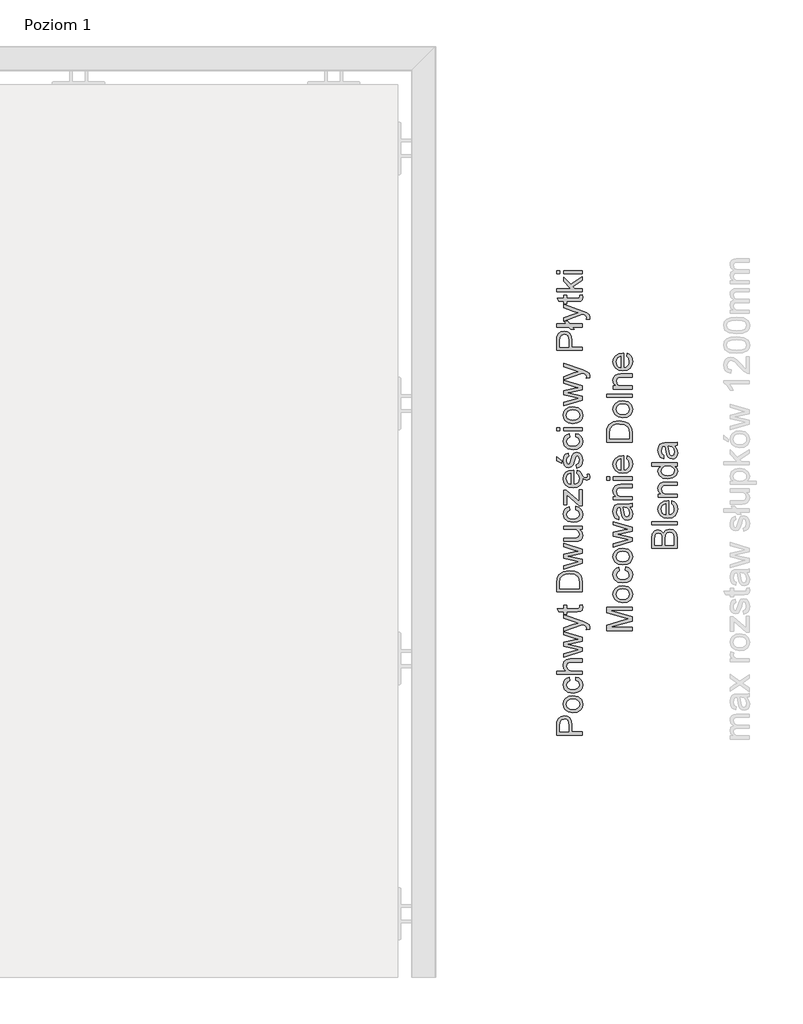
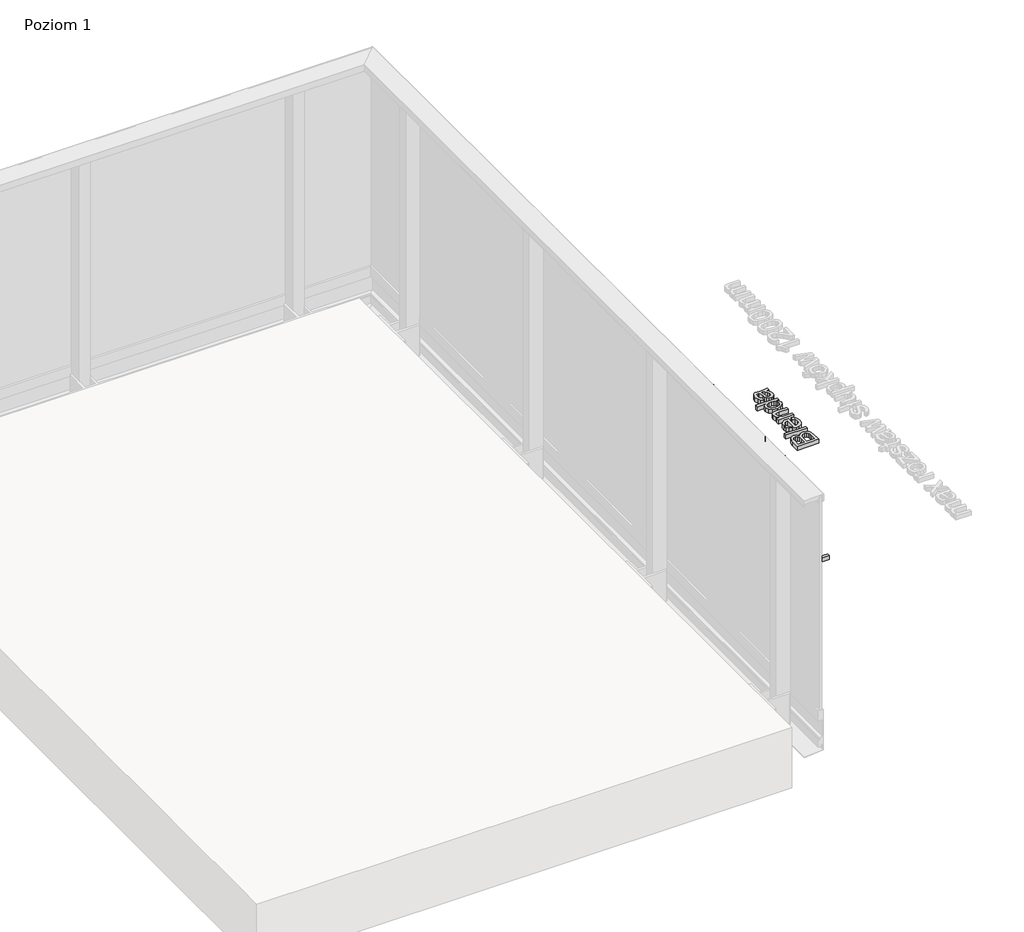
# One storey, part 27 of 35: 3 proxies.
"""IFC4 building model written with IfcOpenShell, lengths in millimetres."""

import ifcopenshell
import ifcopenshell.guid

model = None  # the IFC model being written
_history = None  # IfcOwnerHistory: only IFC2X3 demands one
_inside = {}  # id of a spatial element -> (the spatial element, [elements in it])
_under = {}  # id of a project, library or spatial element -> (it, [spatial elements below it])
_declared = {}  # id of a project -> (the project, [libraries it declares])
_typed = {}  # id of a type object -> (the type object, [elements of that type])
_made_of = {}  # id of a material, layer set ... -> (it, [elements and type objects made of it])


def new_model(schema):
    """Start an empty IFC model of exactly this schema.

    Asked for "IFC4X3", IfcOpenShell would pick the latest addendum, in which some entities
    have other attributes; the version numbers below select the first issue.
    IFC2X3 requires an IfcOwnerHistory on every rooted entity: one is made here for all.
    """
    global model, _history
    if schema == "IFC4X3":
        model = ifcopenshell.file(schema_version=(4, 3, 0, 0))
    else:
        model = ifcopenshell.file(schema=schema)
    _inside.clear()
    _under.clear()
    _declared.clear()
    _typed.clear()
    _made_of.clear()
    _history = None
    if model.schema == "IFC2X3":
        org = make("IfcOrganization", Name="unknown")
        user = make(
            "IfcPersonAndOrganization",
            ThePerson=make("IfcPerson", FamilyName="unknown"),
            TheOrganization=org,
        )
        app = make(
            "IfcApplication",
            ApplicationDeveloper=org,
            Version="unknown",
            ApplicationFullName="unknown",
            ApplicationIdentifier="unknown",
        )
        _history = make(
            "IfcOwnerHistory",
            OwningUser=user,
            OwningApplication=app,
            ChangeAction="ADDED",
            CreationDate=0,
        )
    return model


def make(cls, **values):
    """One entity of the class cls with the attributes given. An attribute that is None is left unset."""
    return model.create_entity(
        cls, **{name: value for name, value in values.items() if value is not None}
    )


def rooted(cls, **values):
    """An entity with a GlobalId (a new one), such as an element, a storey or a relation."""
    return make(cls, GlobalId=ifcopenshell.guid.new(), OwnerHistory=_history, **values)


def si_unit(unit_type, name, prefix=None):
    """IfcSIUnit, for example si_unit("LENGTHUNIT", "METRE", prefix="MILLI")."""
    return make("IfcSIUnit", UnitType=unit_type, Prefix=prefix, Name=name)


def assignment(units):
    """IfcUnitAssignment: the units of a project."""
    return None if units is None else make("IfcUnitAssignment", Units=units)


def point(xyz):
    """IfcCartesianPoint."""
    return None if xyz is None else make("IfcCartesianPoint", Coordinates=xyz)


def direction(xyz):
    """IfcDirection."""
    return None if xyz is None else make("IfcDirection", DirectionRatios=xyz)


def frame(location, z_axis=None, x_axis=None):
    """IfcAxis2Placement3D, a coordinate frame: its origin and axes. An axis left out is left unset."""
    return make(
        "IfcAxis2Placement3D",
        Location=point(location),
        Axis=direction(z_axis),
        RefDirection=direction(x_axis),
    )


def origin():
    """The frame at (0, 0, 0) with its axes left unset."""
    return frame((0.0, 0.0, 0.0))


def origin_with_axes():
    """The frame at (0, 0, 0) with the z axis (0, 0, 1) and the x axis (1, 0, 0) written out."""
    return frame((0.0, 0.0, 0.0), z_axis=(0.0, 0.0, 1.0), x_axis=(1.0, 0.0, 0.0))


def place(relative_to, where):
    """IfcLocalPlacement: puts the frame where relative to a parent placement (None: the world)."""
    return make(
        "IfcLocalPlacement", PlacementRelTo=relative_to, RelativePlacement=where
    )


def context(
    kind, dimensions, precision=None, world=None, true_north=None, identifier=None
):
    """IfcGeometricRepresentationContext, for example the 3D "Model" context."""
    return make(
        "IfcGeometricRepresentationContext",
        ContextIdentifier=identifier,
        ContextType=kind,
        CoordinateSpaceDimension=dimensions,
        Precision=precision,
        WorldCoordinateSystem=world,
        TrueNorth=true_north,
    )


def project(units=None, contexts=None):
    """IfcProject with its units and contexts."""
    return rooted(
        "IfcProject",
        Name="project",
        RepresentationContexts=contexts,
        UnitsInContext=assignment(units),
    )


def spatial(cls, under=None, at=None, **own):
    """A site, building, storey or space (cls), placed at a placement, below another one or the project."""
    s = rooted(cls, ObjectPlacement=at, **own)
    if under is not None:
        _under.setdefault(under.id(), (under, []))[1].append(s)
    return s


def polyline(points):
    """IfcPolyline through the points."""
    return make("IfcPolyline", Points=[point(p) for p in points])


def outline(outer, holes=None, kind="AREA"):
    """IfcArbitraryClosedProfileDef: a profile drawn as a closed curve; with holes, ...WithVoids."""
    if holes is None:
        return make("IfcArbitraryClosedProfileDef", ProfileType=kind, OuterCurve=outer)
    return make(
        "IfcArbitraryProfileDefWithVoids",
        ProfileType=kind,
        OuterCurve=outer,
        InnerCurves=holes,
    )


def extrude(swept, where, along, depth):
    """IfcExtrudedAreaSolid: the profile swept, set in the frame where, extruded along a direction by depth."""
    return make(
        "IfcExtrudedAreaSolid",
        SweptArea=swept,
        Position=where,
        ExtrudedDirection=direction(along),
        Depth=depth,
    )


def shape(context_of_items, identifier, shape_type, items):
    """IfcShapeRepresentation: the items that make up one representation, for example the "Body"."""
    return make(
        "IfcShapeRepresentation",
        ContextOfItems=context_of_items,
        RepresentationIdentifier=identifier,
        RepresentationType=shape_type,
        Items=items,
    )


def made_of(thing, what):
    """Note that an element or type object is made of a material, layer set ...; save() writes the relation."""
    if what is not None:
        _made_of.setdefault(what.id(), (what, []))[1].append(thing)
    return thing


def element(
    cls,
    number,
    at=None,
    inside=None,
    cuts=None,
    type_object=None,
    material=None,
    context=None,
    identifier="Body",
    shape_type=None,
    held_by="IfcProductDefinitionShape",
    body=None,
    shapes=None,
    **own,
):
    """One element of the class cls, such as IfcWall. Its Tag is "e" and its number.

    at: its placement. inside: the storey or other place that contains it. cuts: it is an
    opening in that element (IfcRelVoidsElement). A single representation is given by context,
    identifier, shape_type and body (its items); several are given by shapes. held_by: the class
    of the entity that holds the representations. save() writes the other relations.
    """
    e = rooted(cls, Tag="e%d" % number, ObjectPlacement=at, **own)
    if body is not None:
        shapes = [shape(context, identifier, shape_type, body)]
    if shapes is not None:
        e.Representation = make(held_by, Representations=shapes)
    if inside is not None:
        _inside.setdefault(inside.id(), (inside, []))[1].append(e)
    if cuts is not None:
        rooted(
            "IfcRelVoidsElement", RelatingBuildingElement=cuts, RelatedOpeningElement=e
        )
    if type_object is not None:
        _typed.setdefault(type_object.id(), (type_object, []))[1].append(e)
    return made_of(e, material)


def aggregate(whole, parts):
    """IfcRelAggregates: a whole, such as a stair, and the parts it consists of."""
    return rooted("IfcRelAggregates", RelatingObject=whole, RelatedObjects=parts)


def save(model, path):
    """Write the relations noted so far, then the file.

    IfcRelAggregates (storeys below a building ...), IfcRelContainedInSpatialStructure (elements
    in a storey), IfcRelDefinesByType, IfcRelAssociatesMaterial and IfcRelDeclares: one each for
    every whole, place, type object, material and project.
    """
    for whole, parts in _under.values():
        aggregate(whole, parts)
    for where, things in _inside.values():
        rooted(
            "IfcRelContainedInSpatialStructure",
            RelatedElements=things,
            RelatingStructure=where,
        )
    for kind, things in _typed.values():
        rooted("IfcRelDefinesByType", RelatedObjects=things, RelatingType=kind)
    for what, things in _made_of.values():
        rooted("IfcRelAssociatesMaterial", RelatedObjects=things, RelatingMaterial=what)
    for by, libraries in _declared.values():
        rooted("IfcRelDeclares", RelatingContext=by, RelatedDefinitions=libraries)
    model.write(path)


model = new_model("IFC4")

# Units and contexts
model_context = context("Model", 3, world=origin())
ifc_project = project(units=[si_unit("LENGTHUNIT", "METRE", prefix="MILLI")], contexts=[model_context])

# Site, building, storey
site = spatial("IfcSite", under=ifc_project)
building = spatial("IfcBuilding", under=site)
storey = spatial("IfcBuildingStorey", under=building, Name="Poziom 1", Elevation=0.0)

# Proxies
placement = place(None, origin())
element("IfcBuildingElementProxy", 1, Name="Generic Models", at=placement, inside=storey, context=model_context, shape_type="SweptSolid", body=[
    extrude(outline(polyline([(20115.5993765, -3679.4031308), (20015.1430664, -3679.4031308), (20015.1430664, -3642.1734729), (20016.0995596, -3627.1638875), (20020.7961864, -3614.962468), (20030.508271, -3607.0530051), (20044.205744, -3604.0608982), (20056.0454129, -3606.0811835), (20065.9107817, -3612.1420393), (20072.5694458, -3623.4758705), (20074.7890005, -3641.3150815), (20074.7890005, -3666.846092), (20115.5993765, -3666.846092), (20115.5993765, -3679.4031308)]), holes=[polyline([(20062.2319618, -3666.846092), (20062.2319618, -3640.5793176), (20057.6211741, -3622.0871159), (20052.0722873, -3617.9852317), (20044.6472024, -3616.6179369), (20034.2484047, -3619.8430358), (20028.5584965, -3628.3165844), (20027.7001052, -3640.8736232), (20027.7001052, -3666.846092), (20062.2319618, -3666.846092)])]), origin_with_axes(), (0.0, 0.0, 1.0), 20.0),
    extrude(outline(polyline([(20078.7130752, -3591.5038594), (20060.9259807, -3588.787664), (20048.4241242, -3580.6390778), (20042.298889, -3570.5713739), (20040.2571439, -3558.5171072), (20042.7434131, -3545.325472), (20050.2022205, -3534.7887185), (20062.0449551, -3527.881734), (20077.6830056, -3525.5794059), (20100.0257054, -3529.6506333), (20112.6685833, -3541.5086963), (20117.1690064, -3558.5171072), (20114.6919343, -3571.8681579), (20107.260718, -3582.3926487), (20095.1696631, -3589.2260567), (20078.7130752, -3591.5038594)]), holes=[polyline([(20078.6885497, -3578.9468206), (20090.0530377, -3577.4936868), (20098.1495072, -3573.1342851), (20102.9963525, -3566.5737229), (20104.6119676, -3558.5171072), (20102.9871555, -3550.4972797), (20098.112719, -3543.9489802), (20089.9089505, -3539.5895785), (20078.2961422, -3538.1364446), (20067.2627481, -3539.5987756), (20059.2766431, -3543.9857684), (20054.4297978, -3550.5432649), (20052.8141827, -3558.5171072), (20054.4236664, -3566.5737229), (20059.2521176, -3573.1342851), (20067.3301931, -3577.4936868), (20078.6885497, -3578.9468206)])]), origin_with_axes(), (0.0, 0.0, 1.0), 20.0),
    extrude(outline(polyline([(20088.9156692, -3464.3638419), (20090.485299, -3451.8068031), (20101.6535832, -3455.3078134), (20110.0934093, -3461.8867698), (20115.4001071, -3470.9244041), (20117.1690064, -3481.8014484), (20114.7011313, -3495.1586305), (20107.2975062, -3505.6034135), (20095.2830934, -3512.3448511), (20078.9828553, -3514.5919969), (20058.1239462, -3510.7537615), (20044.7207788, -3499.055114), (20040.2571439, -3481.9731267), (20041.7899856, -3471.3627968), (20046.3885105, -3462.8800512), (20053.8074641, -3456.7946698), (20063.8015916, -3453.3764329), (20065.3712215, -3465.9334717), (20055.9657051, -3471.75827), (20052.8141827, -3481.8750248), (20054.3654184, -3489.9898885), (20059.0191257, -3496.4308891), (20067.0266904, -3500.6339409), (20078.6394988, -3502.0349582), (20090.4086569, -3500.6645977), (20098.4438128, -3496.5535164), (20103.0699289, -3490.2290118), (20104.6119676, -3482.2183814), (20100.7614694, -3470.3848439), (20088.9156692, -3464.3638419)])), origin_with_axes(), (0.0, 0.0, 1.0), 20.0),
    extrude(outline(polyline([(20115.5993765, -3440.8193942), (20015.1430664, -3440.8193942), (20015.1430664, -3428.2623554), (20052.0784187, -3428.2623554), (20043.2124626, -3418.470563), (20040.2571439, -3406.4101649), (20043.4822427, -3392.3080217), (20052.3972498, -3383.748634), (20068.9028886, -3381.17346), (20115.5993765, -3381.17346), (20115.5993765, -3393.7304988), (20070.2027383, -3393.7304988), (20056.9589865, -3397.7281498), (20052.8141827, -3409.0589153), (20055.6100859, -3419.3473484), (20063.188455, -3426.214479), (20076.4076813, -3428.2623554), (20115.5993765, -3428.2623554), (20115.5993765, -3440.8193942)])), origin_with_axes(), (0.0, 0.0, 1.0), 20.0),
    extrude(outline(polyline([(20115.5993765, -3351.669324), (20041.8267738, -3374.1101257), (20041.8267738, -3361.0625776), (20084.8689672, -3348.3338606), (20100.2464346, -3344.5324133), (20085.4330529, -3341.4176791), (20041.8267738, -3331.2886615), (20041.8267738, -3316.328127), (20085.3104256, -3306.2481603), (20098.7258557, -3303.4767826), (20084.5746616, -3299.5036571), (20041.8267738, -3286.7504146), (20041.8267738, -3273.6538156), (20115.5993765, -3296.2662955), (20115.5993765, -3311.4475592), (20072.3364539, -3321.0860675), (20058.8474474, -3323.8819706), (20115.5993765, -3336.3163821), (20115.5993765, -3351.669324)])), origin_with_axes(), (0.0, 0.0, 1.0), 20.0),
    extrude(outline(polyline([(20143.8527138, -3265.0208514), (20131.7616589, -3266.5904813), (20132.8653048, -3260.21386), (20131.479616, -3254.2541717), (20127.616855, -3250.5998772), (20118.3707542, -3247.1663119), (20115.3295964, -3246.1852933), (20041.8267738, -3272.8690006), (20041.8267738, -3259.6252488), (20082.7843026, -3245.4740547), (20099.1673141, -3240.544436), (20084.6972889, -3235.6148173), (20041.8267738, -3221.0712157), (20041.8267738, -3207.9255658), (20117.3652101, -3233.603729), (20133.7482216, -3240.2746559), (20142.601915, -3247.5587194), (20145.4223436, -3257.3443804), (20143.8527138, -3265.0208514)])), origin_with_axes(), (0.0, 0.0, 1.0), 20.0),
    extrude(outline(polyline([(20105.1270024, -3170.8430606), (20115.9672585, -3169.2734308), (20117.1690064, -3178.6666844), (20115.0843417, -3189.1881095), (20109.6151627, -3194.4365593), (20095.3658668, -3195.9571382), (20054.3838125, -3195.9571382), (20054.3838125, -3205.3749173), (20041.8267738, -3205.3749173), (20041.8267738, -3195.9571382), (20023.8986579, -3195.9571382), (20016.5164925, -3183.4000994), (20041.8267738, -3183.4000994), (20041.8267738, -3170.8430606), (20054.3838125, -3170.8430606), (20054.3838125, -3183.4000994), (20094.9979848, -3183.4000994), (20101.4727079, -3182.7379118), (20103.765839, -3180.5919335), (20104.6119676, -3176.3122396), (20105.1270024, -3170.8430606)])), origin_with_axes(), (0.0, 0.0, 1.0), 20.0),
    extrude(outline(polyline([(20115.5993765, -3117.4756459), (20015.1430664, -3117.4756459), (20015.1430664, -3082.8211619), (20016.5900689, -3064.893046), (20023.7760305, -3050.1287153), (20040.943857, -3038.2338641), (20064.8316612, -3034.285264), (20085.1019591, -3036.9585399), (20099.7313998, -3043.8256704), (20108.8426106, -3052.9981949), (20113.8825939, -3065.0034106), (20115.5993765, -3081.1534302), (20115.5993765, -3117.4756459)]), holes=[polyline([(20103.0423378, -3104.9186071), (20103.0423378, -3082.6985346), (20101.2274533, -3066.5362523), (20096.1016308, -3057.2165751), (20083.6304312, -3049.5768923), (20064.6354575, -3046.8423028), (20050.9502472, -3048.1820064), (20040.8457551, -3052.2011172), (20029.7111934, -3065.2364026), (20027.7001052, -3083.0418911), (20027.7001052, -3104.9186071), (20103.0423378, -3104.9186071)])]), origin_with_axes(), (0.0, 0.0, 1.0), 20.0),
    extrude(outline(polyline([(20115.5993765, -3006.3507579), (20041.8267738, -3028.7915596), (20041.8267738, -3015.7440115), (20084.8689672, -3003.0152944), (20100.2464346, -2999.2138472), (20085.4330529, -2996.0991129), (20041.8267738, -2985.9700953), (20041.8267738, -2971.0095609), (20085.3104256, -2960.9295942), (20098.7258557, -2958.1582165), (20084.5746616, -2954.185091), (20041.8267738, -2941.4318485), (20041.8267738, -2928.3352494), (20115.5993765, -2950.9477294), (20115.5993765, -2966.1289931), (20072.3364539, -2975.7675013), (20058.8474474, -2978.5634045), (20115.5993765, -2990.9978159), (20115.5993765, -3006.3507579)])), origin_with_axes(), (0.0, 0.0, 1.0), 20.0),
    extrude(outline(polyline([(20115.5993765, -2872.6133899), (20102.9197104, -2872.6133899), (20113.6066824, -2882.4481019), (20117.1690064, -2895.2749208), (20114.6674088, -2907.0839328), (20108.3888894, -2915.2263877), (20099.1427886, -2918.9665213), (20087.4686666, -2919.7022853), (20041.8267738, -2919.7022853), (20041.8267738, -2907.1452465), (20081.5580292, -2907.1452465), (20094.3603227, -2906.384957), (20101.8773781, -2901.4185501), (20104.6119676, -2892.0620847), (20101.8160644, -2881.5774478), (20094.2009071, -2874.6490036), (20080.2091286, -2872.6133899), (20041.8267738, -2872.6133899), (20041.8267738, -2860.0563511), (20115.5993765, -2860.0563511), (20115.5993765, -2872.6133899)])), origin_with_axes(), (0.0, 0.0, 1.0), 20.0),
    extrude(outline(polyline([(20088.9156692, -2795.7015274), (20090.485299, -2783.1444887), (20101.6535832, -2786.645499), (20110.0934093, -2793.2244553), (20115.4001071, -2802.2620897), (20117.1690064, -2813.139134), (20114.7011313, -2826.4963161), (20107.2975062, -2836.9410991), (20095.2830934, -2843.6825367), (20078.9828553, -2845.9296825), (20058.1239462, -2842.091447), (20044.7207788, -2830.3927996), (20040.2571439, -2813.3108123), (20041.7899856, -2802.7004824), (20046.3885105, -2794.2177367), (20053.8074641, -2788.1323554), (20063.8015916, -2784.7141185), (20065.3712215, -2797.2711573), (20055.9657051, -2803.0959555), (20052.8141827, -2813.2127104), (20054.3654184, -2821.3275741), (20059.0191257, -2827.7685747), (20067.0266904, -2831.9716265), (20078.6394988, -2833.3726437), (20090.4086569, -2832.0022833), (20098.4438128, -2827.891202), (20103.0699289, -2821.5666974), (20104.6119676, -2813.5560669), (20100.7614694, -2801.7225294), (20088.9156692, -2795.7015274)])), origin_with_axes(), (0.0, 0.0, 1.0), 20.0),
    extrude(outline(polyline([(20115.5993765, -2780.005229), (20103.7781018, -2780.005229), (20054.3838125, -2736.6687299), (20054.3838125, -2749.4955488), (20054.3838125, -2776.8659693), (20041.8267738, -2776.8659693), (20041.8267738, -2718.789665), (20052.4953516, -2718.789665), (20096.32236, -2757.2210707), (20103.0423378, -2763.1071827), (20103.0423378, -2748.5881066), (20103.0423378, -2717.2200351), (20115.5993765, -2717.2200351), (20115.5993765, -2780.005229)])), origin_with_axes(), (0.0, 0.0, 1.0), 20.0),
    extrude(outline(polyline([(20093.6245587, -2653.0123642), (20095.1941885, -2640.7005801), (20104.4709462, -2645.1366239), (20111.4055218, -2652.2152866), (20115.768218, -2662.1077933), (20121.6694295, -2667.9851614), (20128.9902812, -2670.1311397), (20133.9689508, -2668.5982981), (20136.0045645, -2663.6318912), (20135.5631061, -2660.4926315), (20134.3858838, -2657.574101), (20143.0433734, -2657.574101), (20145.4223436, -2666.3787434), (20144.4167995, -2672.1544907), (20141.6454218, -2676.2747691), (20137.5864571, -2678.7395784), (20132.6691011, -2679.5489188), (20123.7540941, -2677.0963722), (20116.8755159, -2671.241823), (20117.1690064, -2673.6628069), (20114.6827372, -2688.3964808), (20107.2239298, -2699.7333776), (20095.276962, -2706.9622588), (20079.3262118, -2709.3718859), (20062.8389671, -2706.9377334), (20050.5087889, -2699.6352758), (20042.8200552, -2688.4516631), (20040.2571439, -2674.3740454), (20042.8139238, -2660.7348205), (20050.4842634, -2649.8363163), (20062.7899161, -2642.6902086), (20079.2526354, -2640.3081727), (20082.6371498, -2640.3817491), (20082.6371498, -2696.8148471), (20092.0365347, -2694.6412777), (20098.9465849, -2689.5920973), (20103.1956219, -2682.3049681), (20104.6119676, -2673.4175522), (20101.9877427, -2661.1057681), (20093.6245587, -2653.0123642)]), holes=[polyline([(20070.080111, -2696.8148471), (20070.080111, -2652.8652114), (20058.7002946, -2657.892932), (20054.2857107, -2665.2137837), (20052.8141827, -2674.4230964), (20057.5108095, -2689.8864029), (20063.0014483, -2694.7516423), (20070.080111, -2696.8148471)])]), origin_with_axes(), (0.0, 0.0, 1.0), 20.0),
    extrude(outline(polyline([(20093.6245587, -2632.4600234), (20092.0549288, -2619.9029847), (20101.3746061, -2614.0904491), (20104.6119676, -2600.7731209), (20101.6443862, -2587.9708275), (20094.6791537, -2583.8014982), (20089.0382965, -2587.995353), (20085.4575784, -2600.9202737), (20079.3139491, -2619.8294083), (20072.1402502, -2628.0822277), (20062.0112326, -2630.8903936), (20052.6547672, -2628.6340507), (20045.5055937, -2622.4781586), (20041.7899856, -2614.4951193), (20040.2571439, -2603.6916514), (20042.7219533, -2588.4122859), (20049.3928801, -2578.7002012), (20060.6623319, -2574.3837191), (20062.2319618, -2586.9407579), (20055.3035175, -2591.6619102), (20052.8141827, -2602.7106328), (20055.1931529, -2614.7281113), (20060.7359083, -2618.3333548), (20064.3902028, -2616.8373014), (20067.1615805, -2612.1529373), (20069.8348563, -2601.3372066), (20075.7454937, -2582.9063187), (20082.440946, -2574.3469309), (20093.3547786, -2571.2444594), (20105.3722571, -2574.8864912), (20114.0910604, -2585.3956535), (20117.1690064, -2600.9447992), (20115.6852157, -2613.6060712), (20111.2338435, -2622.8460406), (20103.8639409, -2629.0141954), (20093.6245587, -2632.4600234)])), origin_with_axes(), (0.0, 0.0, 1.0), 20.0),
    extrude(outline(polyline([(20033.9786245, -2613.6244653), (20015.1430664, -2604.2066862), (20015.1430664, -2588.5103878), (20033.9786245, -2604.2066862), (20033.9786245, -2613.6244653)])), origin_with_axes(), (0.0, 0.0, 1.0), 20.0),
    extrude(outline(polyline([(20088.9156692, -2510.0288954), (20090.485299, -2497.4718567), (20101.6535832, -2500.972867), (20110.0934093, -2507.5518233), (20115.4001071, -2516.5894577), (20117.1690064, -2527.466502), (20114.7011313, -2540.8236841), (20107.2975062, -2551.2684671), (20095.2830934, -2558.0099047), (20078.9828553, -2560.2570505), (20058.1239462, -2556.418815), (20044.7207788, -2544.7201676), (20040.2571439, -2527.6381803), (20041.7899856, -2517.0278504), (20046.3885105, -2508.5451047), (20053.8074641, -2502.4597234), (20063.8015916, -2499.0414865), (20065.3712215, -2511.5985253), (20055.9657051, -2517.4233235), (20052.8141827, -2527.5400784), (20054.3654184, -2535.6549421), (20059.0191257, -2542.0959427), (20067.0266904, -2546.2989945), (20078.6394988, -2547.7000118), (20090.4086569, -2546.3296513), (20098.4438128, -2542.21857), (20103.0699289, -2535.8940654), (20104.6119676, -2527.8834349), (20100.7614694, -2516.0498974), (20088.9156692, -2510.0288954)])), origin_with_axes(), (0.0, 0.0, 1.0), 20.0),
    extrude(outline(polyline([(20027.7001052, -2486.4844478), (20015.1430664, -2486.4844478), (20015.1430664, -2473.927409), (20027.7001052, -2473.927409), (20027.7001052, -2486.4844478)])), origin_with_axes(), (0.0, 0.0, 1.0), 20.0),
    extrude(outline(polyline([(20115.5993765, -2486.4844478), (20041.8267738, -2486.4844478), (20041.8267738, -2473.927409), (20115.5993765, -2473.927409), (20115.5993765, -2486.4844478)])), origin_with_axes(), (0.0, 0.0, 1.0), 20.0),
    extrude(outline(polyline([(20078.7130752, -2458.2311105), (20060.9259807, -2455.5149151), (20048.4241242, -2447.3663289), (20042.298889, -2437.298625), (20040.2571439, -2425.2443583), (20042.7434131, -2412.0527231), (20050.2022205, -2401.5159696), (20062.0449551, -2394.6089851), (20077.6830056, -2392.306657), (20100.0257054, -2396.3778844), (20112.6685833, -2408.2359474), (20117.1690064, -2425.2443583), (20114.6919343, -2438.595409), (20107.260718, -2449.1198998), (20095.1696631, -2455.9533078), (20078.7130752, -2458.2311105)]), holes=[polyline([(20078.6885497, -2445.6740718), (20090.0530377, -2444.2209379), (20098.1495072, -2439.8615362), (20102.9963525, -2433.300974), (20104.6119676, -2425.2443583), (20102.9871555, -2417.2245308), (20098.112719, -2410.6762313), (20089.9089505, -2406.3168296), (20078.2961422, -2404.8636958), (20067.2627481, -2406.3260267), (20059.2766431, -2410.7130195), (20054.4297978, -2417.270516), (20052.8141827, -2425.2443583), (20054.4236664, -2433.300974), (20059.2521176, -2439.8615362), (20067.3301931, -2444.2209379), (20078.6885497, -2445.6740718)])]), origin_with_axes(), (0.0, 0.0, 1.0), 20.0),
    extrude(outline(polyline([(20115.5993765, -2365.9417807), (20041.8267738, -2388.3825824), (20041.8267738, -2375.3350343), (20084.8689672, -2362.6063172), (20100.2464346, -2358.80487), (20085.4330529, -2355.6901357), (20041.8267738, -2345.5611181), (20041.8267738, -2330.6005837), (20085.3104256, -2320.520617), (20098.7258557, -2317.7492393), (20084.5746616, -2313.7761138), (20041.8267738, -2301.0228713), (20041.8267738, -2287.9262722), (20115.5993765, -2310.5387522), (20115.5993765, -2325.7200159), (20072.3364539, -2335.3585241), (20058.8474474, -2338.1544273), (20115.5993765, -2350.5888387), (20115.5993765, -2365.9417807)])), origin_with_axes(), (0.0, 0.0, 1.0), 20.0),
    extrude(outline(polyline([(20143.8527138, -2279.2933081), (20131.7616589, -2280.8629379), (20132.8653048, -2274.4863167), (20131.479616, -2268.5266283), (20127.616855, -2264.8723339), (20118.3707542, -2261.4387686), (20115.3295964, -2260.4577499), (20041.8267738, -2287.1414573), (20041.8267738, -2273.8977055), (20082.7843026, -2259.7465114), (20099.1673141, -2254.8168927), (20084.6972889, -2249.8872739), (20041.8267738, -2235.3436724), (20041.8267738, -2222.1980224), (20117.3652101, -2247.8761857), (20133.7482216, -2254.5471125), (20142.601915, -2261.831176), (20145.4223436, -2271.6168371), (20143.8527138, -2279.2933081)])), origin_with_axes(), (0.0, 0.0, 1.0), 20.0),
    extrude(outline(polyline([(20115.5993765, -2170.9888487), (20015.1430664, -2170.9888487), (20015.1430664, -2133.7591908), (20016.0995596, -2118.7496054), (20020.7961864, -2106.5481859), (20030.508271, -2098.638723), (20044.205744, -2095.6466161), (20056.0454129, -2097.6669014), (20065.9107817, -2103.7277572), (20072.5694458, -2115.0615884), (20074.7890005, -2132.9007995), (20074.7890005, -2158.4318099), (20115.5993765, -2158.4318099), (20115.5993765, -2170.9888487)]), holes=[polyline([(20062.2319618, -2158.4318099), (20062.2319618, -2132.1650355), (20057.6211741, -2113.6728338), (20052.0722873, -2109.5709496), (20044.6472024, -2108.2036548), (20034.2484047, -2111.4287537), (20028.5584965, -2119.9023023), (20027.7001052, -2132.4593411), (20027.7001052, -2158.4318099), (20062.2319618, -2158.4318099)])]), origin_with_axes(), (0.0, 0.0, 1.0), 20.0),
    extrude(outline(polyline([(20075.8926465, -2079.9503176), (20083.4219647, -2089.3680967), (20069.2952961, -2089.3680967), (20061.7659779, -2079.9503176), (20015.1430664, -2079.9503176), (20015.1430664, -2067.3932788), (20051.7105367, -2067.3932788), (20044.1812185, -2057.9754998), (20058.3078872, -2057.9754998), (20065.8372053, -2067.3932788), (20115.5993765, -2067.3932788), (20115.5993765, -2079.9503176), (20075.8926465, -2079.9503176)])), origin_with_axes(), (0.0, 0.0, 1.0), 20.0),
    extrude(outline(polyline([(20143.8527138, -2048.5577207), (20131.7616589, -2050.1273505), (20132.8653048, -2043.7507293), (20131.479616, -2037.791041), (20127.616855, -2034.1367465), (20118.3707542, -2030.7031812), (20115.3295964, -2029.7221625), (20041.8267738, -2056.4058699), (20041.8267738, -2043.1621181), (20082.7843026, -2029.010924), (20099.1673141, -2024.0813053), (20084.6972889, -2019.1516865), (20041.8267738, -2004.608085), (20041.8267738, -1991.462435), (20117.3652101, -2017.1405983), (20133.7482216, -2023.8115252), (20142.601915, -2031.0955887), (20145.4223436, -2040.8812497), (20143.8527138, -2048.5577207)])), origin_with_axes(), (0.0, 0.0, 1.0), 20.0),
    extrude(outline(polyline([(20105.1270024, -1954.3799299), (20115.9672585, -1952.8103001), (20117.1690064, -1962.2035537), (20115.0843417, -1972.7249788), (20109.6151627, -1977.9734286), (20095.3658668, -1979.4940075), (20054.3838125, -1979.4940075), (20054.3838125, -1988.9117865), (20041.8267738, -1988.9117865), (20041.8267738, -1979.4940075), (20023.8986579, -1979.4940075), (20016.5164925, -1966.9369687), (20041.8267738, -1966.9369687), (20041.8267738, -1954.3799299), (20054.3838125, -1954.3799299), (20054.3838125, -1966.9369687), (20094.9979848, -1966.9369687), (20101.4727079, -1966.2747811), (20103.765839, -1964.1288028), (20104.6119676, -1959.8491089), (20105.1270024, -1954.3799299)])), origin_with_axes(), (0.0, 0.0, 1.0), 20.0),
    extrude(outline(polyline([(20115.5993765, -1941.8228912), (20015.1430664, -1941.8228912), (20015.1430664, -1929.2658524), (20069.1236178, -1929.2658524), (20041.8267738, -1901.110617), (20041.8267738, -1883.7465869), (20069.4669743, -1912.2451787), (20115.5993765, -1882.176957), (20115.5993765, -1896.8431859), (20078.1980404, -1921.2460249), (20085.9726132, -1929.2658524), (20115.5993765, -1929.2658524), (20115.5993765, -1941.8228912)])), origin_with_axes(), (0.0, 0.0, 1.0), 20.0),
    extrude(outline(polyline([(20027.7001052, -1871.1895481), (20015.1430664, -1871.1895481), (20015.1430664, -1858.6325093), (20027.7001052, -1858.6325093), (20027.7001052, -1871.1895481)])), origin_with_axes(), (0.0, 0.0, 1.0), 20.0),
    extrude(outline(polyline([(20115.5993765, -1871.1895481), (20041.8267738, -1871.1895481), (20041.8267738, -1858.6325093), (20115.5993765, -1858.6325093), (20115.5993765, -1871.1895481)])), origin_with_axes(), (0.0, 0.0, 1.0), 20.0),
])
element("IfcBuildingElementProxy", 2, Name="Generic Models", at=placement, inside=storey, context=model_context, shape_type="SweptSolid", body=[
    extrude(outline(polyline([(20311.0111089, -3270.0219111), (20210.5547987, -3270.0219111), (20210.5547987, -3248.4149753), (20281.3598201, -3227.8626345), (20296.1486763, -3223.7178306), (20280.1335468, -3219.2296703), (20210.5547987, -3199.020686), (20210.5547987, -3177.4137502), (20311.0111089, -3177.4137502), (20311.0111089, -3189.970789), (20223.1118375, -3189.970789), (20311.0111089, -3215.2074938), (20311.0111089, -3232.2281675), (20223.1118375, -3257.4648723), (20311.0111089, -3257.4648723), (20311.0111089, -3270.0219111)])), origin_with_axes(), (0.0, 0.0, 1.0), 20.0),
    extrude(outline(polyline([(20274.1248075, -3160.1478219), (20256.337713, -3157.4316265), (20243.8358566, -3149.2830403), (20237.7106214, -3139.2153364), (20235.6688763, -3127.1610696), (20238.1551454, -3113.9694344), (20245.6139529, -3103.432681), (20257.4566874, -3096.5256965), (20273.0947379, -3094.2233683), (20295.4374378, -3098.2945958), (20308.0803157, -3110.1526587), (20312.5807387, -3127.1610696), (20310.1036666, -3140.5121204), (20302.6724503, -3151.0366111), (20290.5813954, -3157.8700192), (20274.1248075, -3160.1478219)]), holes=[polyline([(20274.100282, -3147.5907831), (20285.46477, -3146.1376492), (20293.5612396, -3141.7782476), (20298.4080849, -3135.2176853), (20300.0237, -3127.1610696), (20298.3988878, -3119.1412421), (20293.5244514, -3112.5929426), (20285.3206829, -3108.233541), (20273.7078746, -3106.7804071), (20262.6744804, -3108.242738), (20254.6883754, -3112.6297308), (20249.8415301, -3119.1872274), (20248.225915, -3127.1610696), (20249.8353988, -3135.2176853), (20254.66385, -3141.7782476), (20262.7419254, -3146.1376492), (20274.100282, -3147.5907831)])]), origin_with_axes(), (0.0, 0.0, 1.0), 20.0),
    extrude(outline(polyline([(20284.3274015, -3033.0078043), (20285.8970314, -3020.4507656), (20297.0653156, -3023.9517759), (20305.5051417, -3030.5307322), (20310.8118395, -3039.5683666), (20312.5807387, -3050.4454109), (20310.1128637, -3063.802593), (20302.7092385, -3074.247376), (20290.6948257, -3080.9888136), (20274.3945876, -3083.2359594), (20253.5356785, -3079.3977239), (20240.1325112, -3067.6990765), (20235.6688763, -3050.6170892), (20237.2017179, -3040.0067593), (20241.8002429, -3031.5240136), (20249.2191964, -3025.4386323), (20259.213324, -3022.0203954), (20260.7829538, -3034.5774342), (20251.3774375, -3040.4022324), (20248.225915, -3050.5189873), (20249.7771508, -3058.633851), (20254.430858, -3065.0748516), (20262.4384228, -3069.2779034), (20274.0512311, -3070.6789207), (20285.8203893, -3069.3085602), (20293.8555452, -3065.1974789), (20298.4816613, -3058.8729743), (20300.0237, -3050.8623438), (20296.1732018, -3039.0288063), (20284.3274015, -3033.0078043)])), origin_with_axes(), (0.0, 0.0, 1.0), 20.0),
    extrude(outline(polyline([(20274.1248075, -3012.6026163), (20256.337713, -3009.8864209), (20243.8358566, -3001.7378348), (20237.7106214, -2991.6701308), (20235.6688763, -2979.6158641), (20238.1551454, -2966.4242289), (20245.6139529, -2955.8874754), (20257.4566874, -2948.980491), (20273.0947379, -2946.6781628), (20295.4374378, -2950.7493902), (20308.0803157, -2962.6074532), (20312.5807387, -2979.6158641), (20310.1036666, -2992.9669149), (20302.6724503, -3003.4914056), (20290.5813954, -3010.3248137), (20274.1248075, -3012.6026163)]), holes=[polyline([(20274.100282, -3000.0455776), (20285.46477, -2998.5924437), (20293.5612396, -2994.2330421), (20298.4080849, -2987.6724798), (20300.0237, -2979.6158641), (20298.3988878, -2971.5960366), (20293.5244514, -2965.0477371), (20285.3206829, -2960.6883355), (20273.7078746, -2959.2352016), (20262.6744804, -2960.6975325), (20254.6883754, -2965.0845253), (20249.8415301, -2971.6420219), (20248.225915, -2979.6158641), (20249.8353988, -2987.6724798), (20254.66385, -2994.2330421), (20262.7419254, -2998.5924437), (20274.100282, -3000.0455776)])]), origin_with_axes(), (0.0, 0.0, 1.0), 20.0),
    extrude(outline(polyline([(20311.0111089, -2920.3132865), (20237.2385061, -2942.7540882), (20237.2385061, -2929.7065401), (20280.2806996, -2916.9778231), (20295.658167, -2913.1763758), (20280.8447853, -2910.0616416), (20237.2385061, -2899.932624), (20237.2385061, -2884.9720895), (20280.722158, -2874.8921228), (20294.137588, -2872.1207451), (20279.986394, -2868.1476196), (20237.2385061, -2855.3943771), (20237.2385061, -2842.297778), (20311.0111089, -2864.910258), (20311.0111089, -2880.0915217), (20267.7481863, -2889.73003), (20254.2591798, -2892.5259331), (20311.0111089, -2904.9603446), (20311.0111089, -2920.3132865)])), origin_with_axes(), (0.0, 0.0, 1.0), 20.0),
    extrude(outline(polyline([(20301.5933298, -2786.5759185), (20310.1036666, -2798.7528126), (20312.5807387, -2812.2050308), (20311.0908167, -2822.6988648), (20306.6210504, -2830.4397151), (20299.8336276, -2835.212984), (20291.3907358, -2836.8040736), (20281.4579219, -2834.4005779), (20274.2474348, -2828.0852703), (20270.1271565, -2819.2928906), (20268.2386956, -2808.428109), (20263.9222135, -2786.6494949), (20261.1263103, -2786.5759185), (20251.8556841, -2790.0340093), (20248.225915, -2803.9154232), (20250.6416735, -2816.6196148), (20259.213324, -2822.677405), (20257.6436941, -2835.2344437), (20245.380961, -2829.8020529), (20238.1949993, -2818.863695), (20235.6688763, -2802.2967424), (20237.9006937, -2787.0786906), (20243.5047628, -2778.4825146), (20252.0273623, -2774.6320164), (20263.0147713, -2774.0188797), (20278.6374933, -2774.0188797), (20300.4528956, -2773.3812176), (20311.0111089, -2770.87962), (20311.0111089, -2783.4366588), (20301.5933298, -2786.5759185)]), holes=[polyline([(20276.4792523, -2786.5759185), (20280.3297505, -2806.8339537), (20282.3653642, -2817.6374216), (20285.6763022, -2822.5302522), (20290.507819, -2824.2470348), (20297.3013732, -2820.5069012), (20300.0237, -2809.531755), (20297.0193303, -2796.8275634), (20289.7475296, -2788.6360577), (20280.0354449, -2786.6494949), (20276.4792523, -2786.5759185)])]), origin_with_axes(), (0.0, 0.0, 1.0), 20.0),
    extrude(outline(polyline([(20311.0111089, -2756.7529514), (20237.2385061, -2756.7529514), (20237.2385061, -2744.1959127), (20247.539202, -2744.1959127), (20238.6364577, -2734.5941926), (20235.6688763, -2721.4853308), (20238.0601092, -2709.6272679), (20244.3386286, -2701.533864), (20253.5724667, -2697.7692049), (20265.7125726, -2697.1070173), (20311.0111089, -2697.1070173), (20311.0111089, -2709.6640561), (20267.4048297, -2709.6640561), (20256.2947935, -2711.1110586), (20250.4209443, -2716.2246183), (20248.225915, -2724.8453197), (20253.1555338, -2738.4692163), (20260.2985759, -2742.7642386), (20271.8684646, -2744.1959127), (20311.0111089, -2744.1959127), (20311.0111089, -2756.7529514)])), origin_with_axes(), (0.0, 0.0, 1.0), 20.0),
    extrude(outline(polyline([(20223.1118375, -2679.841089), (20210.5547987, -2679.841089), (20210.5547987, -2667.2840502), (20223.1118375, -2667.2840502), (20223.1118375, -2679.841089)])), origin_with_axes(), (0.0, 0.0, 1.0), 20.0),
    extrude(outline(polyline([(20311.0111089, -2679.841089), (20237.2385061, -2679.841089), (20237.2385061, -2667.2840502), (20311.0111089, -2667.2840502), (20311.0111089, -2679.841089)])), origin_with_axes(), (0.0, 0.0, 1.0), 20.0),
    extrude(outline(polyline([(20289.036291, -2596.7978599), (20290.6059209, -2584.4860758), (20299.8826785, -2588.9221196), (20306.8172541, -2596.0007823), (20311.1398676, -2605.5626485), (20312.5807387, -2617.4483026), (20310.0944696, -2632.1819765), (20302.6356621, -2643.5188733), (20290.6886943, -2650.7477545), (20274.7379442, -2653.1573816), (20258.2506994, -2650.7232291), (20245.9205212, -2643.4207715), (20238.2317875, -2632.2371588), (20235.6688763, -2618.1595411), (20238.2256561, -2604.5203161), (20245.8959957, -2593.621812), (20258.2016485, -2586.4757043), (20274.6643678, -2584.0936684), (20278.0488821, -2584.1672448), (20278.0488821, -2640.6003428), (20287.4482671, -2638.4267734), (20294.3583172, -2633.377593), (20298.6073543, -2626.0904638), (20300.0237, -2617.2030479), (20297.3994751, -2604.8912638), (20289.036291, -2596.7978599)]), holes=[polyline([(20265.4918434, -2640.6003428), (20265.4918434, -2596.6507071), (20254.112027, -2601.6784277), (20249.697443, -2608.9992794), (20248.225915, -2618.2085921), (20252.9225419, -2633.6718986), (20258.4131806, -2638.537138), (20265.4918434, -2640.6003428)])]), origin_with_axes(), (0.0, 0.0, 1.0), 20.0),
    extrude(outline(polyline([(20311.0111089, -2530.7262536), (20210.5547987, -2530.7262536), (20210.5547987, -2496.0717697), (20212.0018013, -2478.1436538), (20219.1877629, -2463.379323), (20236.3555893, -2451.4844718), (20260.2433936, -2447.5358718), (20280.5136915, -2450.2091476), (20295.1431322, -2457.0762782), (20304.2543429, -2466.2488026), (20309.2943262, -2478.2540184), (20311.0111089, -2494.4040379), (20311.0111089, -2530.7262536)]), holes=[polyline([(20298.4540701, -2518.1692148), (20298.4540701, -2495.9491423), (20296.6391856, -2479.78686), (20291.5133631, -2470.4671828), (20279.0421635, -2462.8275), (20260.0471898, -2460.0929105), (20246.3619796, -2461.4326141), (20236.2574875, -2465.4517249), (20225.1229257, -2478.4870103), (20223.1118375, -2496.2924988), (20223.1118375, -2518.1692148), (20298.4540701, -2518.1692148)])]), origin_with_axes(), (0.0, 0.0, 1.0), 20.0),
    extrude(outline(polyline([(20274.1248075, -2434.978833), (20256.337713, -2432.2626376), (20243.8358566, -2424.1140514), (20237.7106214, -2414.0463475), (20235.6688763, -2401.9920808), (20238.1551454, -2388.8004455), (20245.6139529, -2378.2636921), (20257.4566874, -2371.3567076), (20273.0947379, -2369.0543795), (20295.4374378, -2373.1256069), (20308.0803157, -2384.9836698), (20312.5807387, -2401.9920808), (20310.1036666, -2415.3431315), (20302.6724503, -2425.8676222), (20290.5813954, -2432.7010303), (20274.1248075, -2434.978833)]), holes=[polyline([(20274.100282, -2422.4217942), (20285.46477, -2420.9686603), (20293.5612396, -2416.6092587), (20298.4080849, -2410.0486964), (20300.0237, -2401.9920808), (20298.3988878, -2393.9722533), (20293.5244514, -2387.4239537), (20285.3206829, -2383.0645521), (20273.7078746, -2381.6114182), (20262.6744804, -2383.0737492), (20254.6883754, -2387.4607419), (20249.8415301, -2394.0182385), (20248.225915, -2401.9920808), (20249.8353988, -2410.0486964), (20254.66385, -2416.6092587), (20262.7419254, -2420.9686603), (20274.100282, -2422.4217942)])]), origin_with_axes(), (0.0, 0.0, 1.0), 20.0),
    extrude(outline(polyline([(20311.0111089, -2354.9277108), (20210.5547987, -2354.9277108), (20210.5547987, -2342.3706721), (20311.0111089, -2342.3706721), (20311.0111089, -2354.9277108)])), origin_with_axes(), (0.0, 0.0, 1.0), 20.0),
    extrude(outline(polyline([(20311.0111089, -2323.5351139), (20237.2385061, -2323.5351139), (20237.2385061, -2310.9780751), (20247.539202, -2310.9780751), (20238.6364577, -2301.3763551), (20235.6688763, -2288.2674933), (20238.0601092, -2276.4094303), (20244.3386286, -2268.3160264), (20253.5724667, -2264.5513674), (20265.7125726, -2263.8891798), (20311.0111089, -2263.8891798), (20311.0111089, -2276.4462185), (20267.4048297, -2276.4462185), (20256.2947935, -2277.893221), (20250.4209443, -2283.0067808), (20248.225915, -2291.6274822), (20253.1555338, -2305.2513788), (20260.2985759, -2309.546401), (20271.8684646, -2310.9780751), (20311.0111089, -2310.9780751), (20311.0111089, -2323.5351139)])), origin_with_axes(), (0.0, 0.0, 1.0), 20.0),
    extrude(outline(polyline([(20289.036291, -2194.9726193), (20290.6059209, -2182.6608352), (20299.8826785, -2187.096879), (20306.8172541, -2194.1755417), (20311.1398676, -2203.7374079), (20312.5807387, -2215.623062), (20310.0944696, -2230.3567359), (20302.6356621, -2241.6936327), (20290.6886943, -2248.9225139), (20274.7379442, -2251.332141), (20258.2506994, -2248.8979885), (20245.9205212, -2241.5955309), (20238.2317875, -2230.4119182), (20235.6688763, -2216.3343005), (20238.2256561, -2202.6950755), (20245.8959957, -2191.7965714), (20258.2016485, -2184.6504637), (20274.6643678, -2182.2684278), (20278.0488821, -2182.3420042), (20278.0488821, -2238.7751022), (20287.4482671, -2236.6015328), (20294.3583172, -2231.5523524), (20298.6073543, -2224.2652232), (20300.0237, -2215.3778073), (20297.3994751, -2203.0660232), (20289.036291, -2194.9726193)]), holes=[polyline([(20265.4918434, -2238.7751022), (20265.4918434, -2194.8254665), (20254.112027, -2199.8531871), (20249.697443, -2207.1740388), (20248.225915, -2216.3833515), (20252.9225419, -2231.846658), (20258.4131806, -2236.7118974), (20265.4918434, -2238.7751022)])]), origin_with_axes(), (0.0, 0.0, 1.0), 20.0),
])
element("IfcBuildingElementProxy", 3, Name="Generic Models", at=placement, inside=storey, context=model_context, shape_type="SweptSolid", body=[
    extrude(outline(polyline([(20487.3598268, -2946.9235997), (20386.9035167, -2946.9235997), (20386.9035167, -2908.5902958), (20389.8588354, -2889.8160514), (20398.9455207, -2878.7305406), (20411.796865, -2874.7206268), (20423.5323007, -2878.0928784), (20432.4227822, -2888.2832097), (20441.7915104, -2875.9101119), (20457.4142324, -2871.5813671), (20470.9155017, -2874.5366858), (20480.5294845, -2881.8575375), (20485.6307815, -2892.7836328), (20487.3598268, -2908.8846014), (20487.3598268, -2946.9235997)]), holes=[polyline([(20427.7138927, -2934.366561), (20427.7138927, -2911.4352499), (20426.6347722, -2898.0443453), (20421.9871963, -2889.9877296), (20413.8079533, -2887.2776656), (20405.6164475, -2889.8037886), (20400.7726679, -2897.0388012), (20399.4605555, -2913.176558), (20399.4605555, -2934.366561), (20427.7138927, -2934.366561)]), polyline([(20474.8027881, -2934.366561), (20474.8027881, -2908.6148213), (20474.3122788, -2899.2951441), (20471.5776893, -2891.4102067), (20465.9981457, -2886.1862823), (20457.5368598, -2884.1384059), (20447.7757242, -2886.5419016), (20441.9509259, -2894.3287372), (20440.2709315, -2909.8410946), (20440.2709315, -2934.366561), (20474.8027881, -2934.366561)])]), origin_with_axes(), (0.0, 0.0, 1.0), 20.0),
    extrude(outline(polyline([(20487.3598268, -2855.8850687), (20386.9035167, -2855.8850687), (20386.9035167, -2843.3280299), (20487.3598268, -2843.3280299), (20487.3598268, -2855.8850687)])), origin_with_axes(), (0.0, 0.0, 1.0), 20.0),
    extrude(outline(polyline([(20465.385009, -2772.8418396), (20466.9546388, -2760.5300555), (20476.2313965, -2764.9660992), (20483.1659721, -2772.044762), (20487.4885855, -2781.6066282), (20488.9294567, -2793.4922823), (20486.4431875, -2808.2259562), (20478.9843801, -2819.562853), (20467.0374123, -2826.7917342), (20451.0866621, -2829.2013613), (20434.5994174, -2826.7672087), (20422.2692392, -2819.4647511), (20414.5805055, -2808.2811385), (20412.0175942, -2794.2035208), (20414.5743741, -2780.5642958), (20422.2447137, -2769.6657917), (20434.5503664, -2762.519684), (20451.0130857, -2760.1376481), (20454.3976001, -2760.2112245), (20454.3976001, -2816.6443225), (20463.7969851, -2814.4707531), (20470.7070352, -2809.4215727), (20474.9560722, -2802.1344435), (20476.3724179, -2793.2470276), (20473.748193, -2780.9352435), (20465.385009, -2772.8418396)]), holes=[polyline([(20441.8405613, -2816.6443225), (20441.8405613, -2772.6946868), (20430.4607449, -2777.7224074), (20426.046161, -2785.0432591), (20424.574633, -2794.2525717), (20429.2712598, -2809.7158783), (20434.7618986, -2814.5811177), (20441.8405613, -2816.6443225)])]), origin_with_axes(), (0.0, 0.0, 1.0), 20.0),
    extrude(outline(polyline([(20487.3598268, -2747.5806093), (20413.5872241, -2747.5806093), (20413.5872241, -2735.0235705), (20423.8879199, -2735.0235705), (20414.9851757, -2725.4218504), (20412.0175942, -2712.3129887), (20414.4088272, -2700.4549257), (20420.6873466, -2692.3615218), (20429.9211847, -2688.5968627), (20442.0612905, -2687.9346751), (20487.3598268, -2687.9346751), (20487.3598268, -2700.4917139), (20443.7535477, -2700.4917139), (20432.6435114, -2701.9387164), (20426.7696622, -2707.0522761), (20424.574633, -2715.6729776), (20429.5042517, -2729.2968741), (20436.6472938, -2733.5918964), (20448.2171826, -2735.0235705), (20487.3598268, -2735.0235705), (20487.3598268, -2747.5806093)])), origin_with_axes(), (0.0, 0.0, 1.0), 20.0),
    extrude(outline(polyline([(20487.3598268, -2625.1494813), (20475.5140266, -2625.1494813), (20485.5755992, -2633.457483), (20488.9294567, -2644.9415326), (20484.0734144, -2660.4906783), (20470.5230942, -2671.4780872), (20450.5471019, -2675.3776364), (20430.5588468, -2671.7846555), (20416.8000602, -2661.0179758), (20412.0175942, -2644.9905836), (20415.4388968, -2633.4145634), (20424.3293783, -2625.1494813), (20386.9035167, -2625.1494813), (20386.9035167, -2612.5924425), (20487.3598268, -2612.5924425), (20487.3598268, -2625.1494813)]), holes=[polyline([(20450.4980509, -2662.8205976), (20461.8564075, -2661.4042519), (20469.934483, -2657.1552149), (20474.7629342, -2650.9809287), (20476.3724179, -2643.7888357), (20474.8365106, -2636.5998084), (20470.2287886, -2630.5818721), (20462.4634128, -2626.507579), (20451.4545441, -2625.1494813), (20439.4186715, -2626.5321045), (20431.0738816, -2630.6799739), (20426.1994452, -2636.8511944), (20424.574633, -2644.3038705), (20426.1350658, -2651.5695399), (20430.8163642, -2657.5230969), (20438.8576515, -2661.4962224), (20450.4980509, -2662.8205976)])]), origin_with_axes(), (0.0, 0.0, 1.0), 20.0),
    extrude(outline(polyline([(20477.9420478, -2546.667989), (20486.4523846, -2558.844883), (20488.9294567, -2572.2971013), (20487.4395346, -2582.7909352), (20482.9697684, -2590.5317855), (20476.1823456, -2595.3050544), (20467.7394538, -2596.8961441), (20457.8066399, -2594.4926484), (20450.5961528, -2588.1773408), (20446.4758745, -2579.3849611), (20444.5874135, -2568.5201795), (20440.2709315, -2546.7415654), (20437.4750283, -2546.667989), (20428.204402, -2550.1260797), (20424.574633, -2564.0074937), (20426.9903914, -2576.7116853), (20435.5620419, -2582.7694754), (20433.9924121, -2595.3265142), (20421.7296789, -2589.8941234), (20414.5437173, -2578.9557654), (20412.0175942, -2562.3888129), (20414.2494117, -2547.170761), (20419.8534807, -2538.5745851), (20428.3760803, -2534.7240869), (20439.3634892, -2534.1109502), (20454.9862113, -2534.1109502), (20476.8016136, -2533.4732881), (20487.3598268, -2530.9716905), (20487.3598268, -2543.5287293), (20477.9420478, -2546.667989)]), holes=[polyline([(20452.8279702, -2546.667989), (20456.6784685, -2566.9260242), (20458.7140822, -2577.7294921), (20462.0250201, -2582.6223226), (20466.856537, -2584.3391053), (20473.6500912, -2580.5989717), (20476.3724179, -2569.6238255), (20473.3680483, -2556.9196339), (20466.0962475, -2548.7281282), (20456.3841629, -2546.7415654), (20452.8279702, -2546.667989)])]), origin_with_axes(), (0.0, 0.0, 1.0), 20.0),
])

save(model, "model.ifc")
